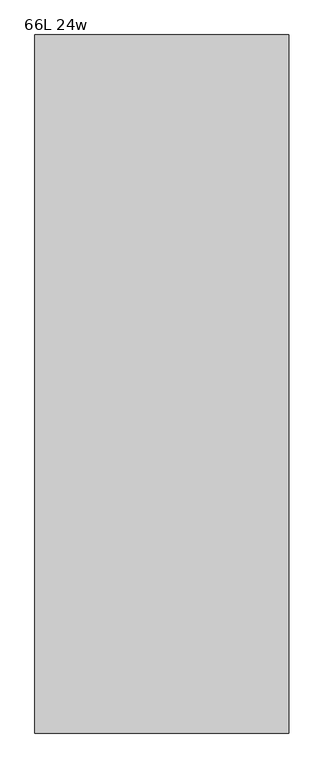
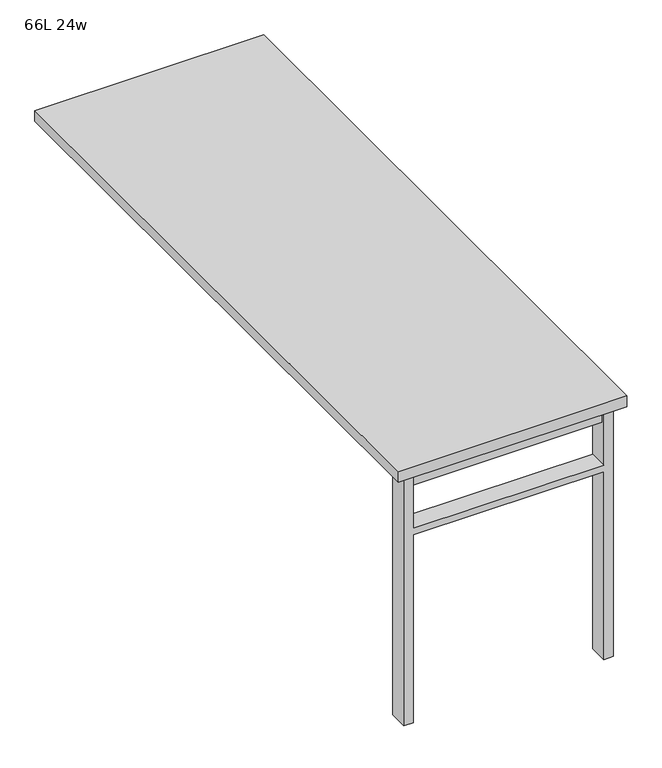
"""IFC4 building model written with IfcOpenShell, lengths in millimetres: furniture geometry, 66L 24w."""

from ifc_helpers import new_model, si_unit, frame, origin, place, context, project, spatial, polyline, outline, extrude, source, transform, mapped, element, save


def furniture_66l_24w_1fe35c89(model_context):
    return source(origin(), model_context, "Body", "SweptSolid", [
        extrude(outline(polyline([(-254.0, -777.875), (254.0, -777.875), (254.0, -809.625), (-254.0, -809.625), (-254.0, -777.875)])), frame((0.0, 0.0, 661.9875), z_axis=(0.0, 0.0, 1.0), x_axis=(1.0, 0.0, 0.0)), (0.0, 0.0, 1.0), 44.45),
        extrude(outline(polyline([(528.6375, 254.0), (0.0, 254.0), (0.0, 279.4), (706.4375, 279.4), (706.4375, 254.0), (547.6875, 254.0), (547.6875, -254.0), (706.4375, -254.0), (706.4375, -279.4), (0.0, -279.4), (0.0, -254.0), (528.6375, -254.0), (528.6375, 254.0)])), frame((0.0, -819.15, 0.0), z_axis=(0.0, 1.0, 0.0), x_axis=(0.0, 0.0, 1.0)), (0.0, 0.0, 1.0), 50.8),
        extrude(outline(polyline([(-304.8, -838.2), (-304.8, 838.2), (304.8, 838.2), (304.8, -838.2), (-304.8, -838.2)])), frame((0.0, 0.0, 706.4375), z_axis=(0.0, 0.0, 1.0), x_axis=(1.0, 0.0, 0.0)), (0.0, 0.0, 1.0), 30.1625),
    ])


if __name__ == "__main__":
    model = new_model("IFC4")
    model_context = context("Model", 3, world=origin())
    ifc_project = project(units=[si_unit("LENGTHUNIT", "METRE", prefix="MILLI")], contexts=[model_context])
    site = spatial("IfcSite", under=ifc_project)
    building = spatial("IfcBuilding", under=site)
    placement = place(None, origin())
    furniture_66l_24w_shape = furniture_66l_24w_1fe35c89(model_context)
    element("IfcFurniture", 1, ObjectType="66L 24w", at=placement, inside=building, context=model_context, shape_type="MappedRepresentation", body=[
        mapped(furniture_66l_24w_shape, transform((0.0, 0.0, 0.0), x_axis=(1.0, 0.0, 0.0), y_axis=(0.0, 1.0, 0.0), z_axis=(0.0, 0.0, 1.0))),
    ])
    save(model, "model.ifc")
